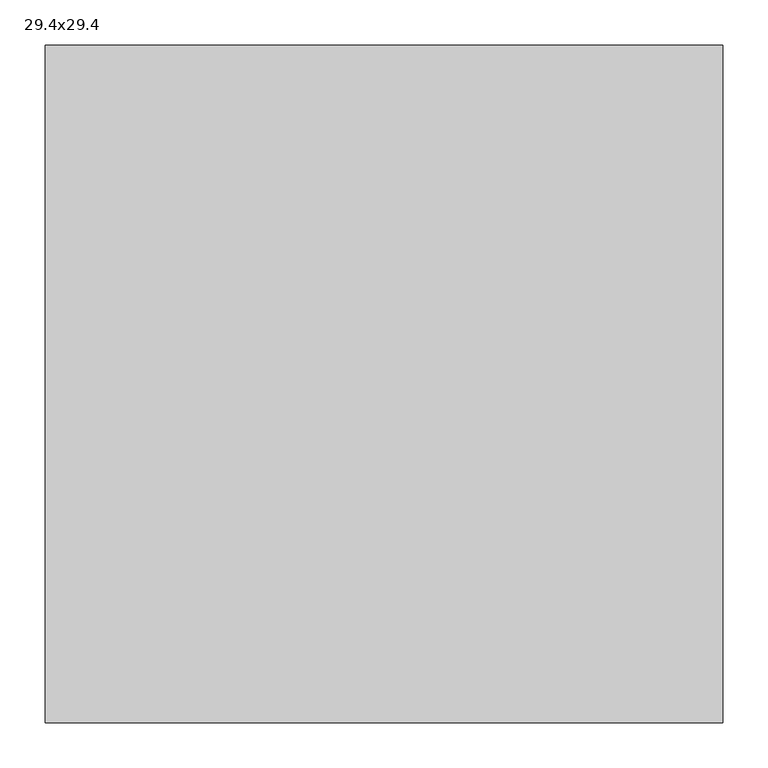
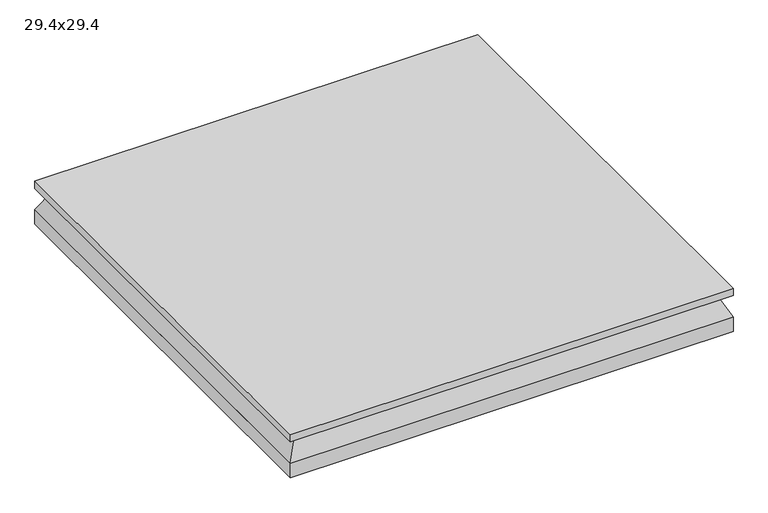
"""IFC4 building model written with IfcOpenShell, lengths in millimetres: air terminal geometry, 29.4x29.4."""

from ifc_helpers import new_model, si_unit, frame, origin, origin_with_axes, place, context, project, spatial, polyline, outline, extrude, faceted_brep, source, transform, mapped, element, save


def air_terminal_29_4x29_4_f809b43f(model_context):
    return source(origin(), model_context, "Body", "SolidModel", [
        faceted_brep([(-354.33, -354.33, 0.0), (354.33, -354.33, 0.0), (354.33, 354.33, 0.0), (-354.33, 354.33, 0.0), (-373.3601562, -373.3601563, -38.1), (-373.3601562, 373.3601562, -38.1), (373.3601563, 373.3601562, -38.1), (373.3601563, -373.3601563, -38.1)], [[[0, 1, 2, 3]], [[4, 5, 6, 7]], [[4, 7, 1, 0]], [[7, 6, 2, 1]], [[6, 5, 3, 2]], [[5, 4, 0, 3]]]),
        extrude(outline(polyline([(373.38, 373.38), (373.38, -373.38), (-373.38, -373.38), (-373.38, 373.38), (373.38, 373.38)])), origin_with_axes(), (0.0, 0.0, 1.0), 12.7),
        extrude(outline(polyline([(-373.3601562, 373.3601562), (373.3601563, 373.3601562), (373.3601563, -373.3601563), (-373.3601562, -373.3601563), (-373.3601562, 373.3601562)])), frame((0.0, 0.0, -63.5), z_axis=(0.0, 0.0, 1.0), x_axis=(1.0, 0.0, 0.0)), (0.0, 0.0, 1.0), 25.4),
    ])


if __name__ == "__main__":
    model = new_model("IFC4")
    model_context = context("Model", 3, world=origin())
    ifc_project = project(units=[si_unit("LENGTHUNIT", "METRE", prefix="MILLI")], contexts=[model_context])
    site = spatial("IfcSite", under=ifc_project)
    building = spatial("IfcBuilding", under=site)
    placement = place(None, origin())
    air_terminal_29_4x29_4_shape = air_terminal_29_4x29_4_f809b43f(model_context)
    element("IfcAirTerminal", 1, ObjectType="29.4x29.4", at=placement, inside=building, context=model_context, shape_type="MappedRepresentation", body=[
        mapped(air_terminal_29_4x29_4_shape, transform((0.0, 0.0, 0.0), x_axis=(1.0, 0.0, 0.0), y_axis=(0.0, 1.0, 0.0), z_axis=(0.0, 0.0, 1.0))),
    ])
    save(model, "model.ifc")
